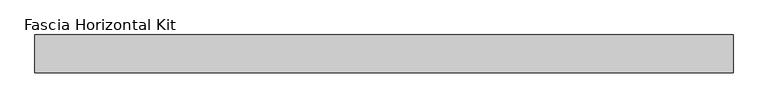
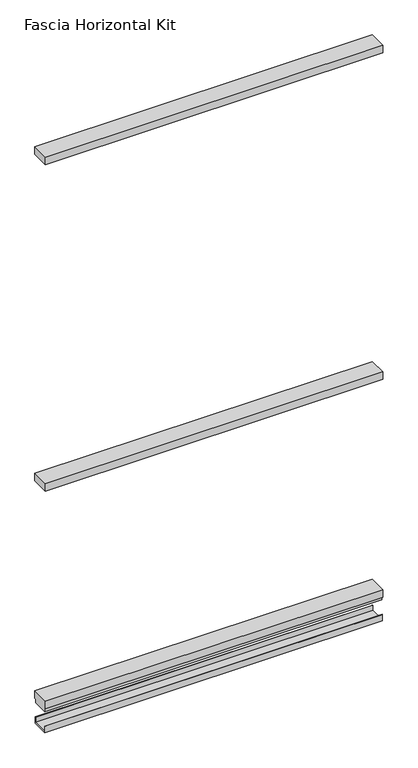
"""IFC4 building model written with IfcOpenShell, lengths in millimetres: proxy geometry, Fascia Horizontal Kit."""

from ifc_helpers import new_model, si_unit, frame, origin, place, context, project, spatial, polyline, outline, extrude, source, transform, mapped, element, save


def fascia_horizontal_kit_2836765a(model_context):
    return source(origin(), model_context, "Body", "SweptSolid", [
        extrude(outline(polyline([(-696.4938598, 34.0688663), (-696.4938598, 98.4324663), (495.8091376, 98.4324663), (495.8091376, 34.0688663), (-696.4938598, 34.0688663)])), frame((0.0, 0.0, 903.829), z_axis=(0.0, 0.0, 1.0), x_axis=(1.0, 0.0, 0.0)), (0.0, 0.0, 1.0), 28.0),
        extrude(outline(polyline([(-696.4938598, 34.0688663), (-696.4938598, 98.4324663), (495.8091376, 98.4324663), (495.8091376, 34.0688663), (-696.4938598, 34.0688663)])), frame((0.0, 0.0, 2124.295979), z_axis=(0.0, 0.0, 1.0), x_axis=(1.0, 0.0, 0.0)), (0.0, 0.0, 1.0), 28.0),
        extrude(outline(polyline([(94.0992263, 4.58724), (94.0992263, 23.2156), (95.2574663, 23.2156), (95.2574663, 0.0), (37.2438663, 0.0), (37.2438663, 23.2156), (38.4021063, 23.2156), (38.4021063, 4.58724), (94.0992263, 4.58724)])), frame((-696.4938598, 0.0, 0.0), z_axis=(1.0, 0.0, 0.0), x_axis=(0.0, 1.0, 0.0)), (0.0, 0.0, 1.0), 1192.3029973),
        extrude(outline(polyline([(98.4324663, 119.029), (98.4324663, 91.029), (93.5466663, 91.029), (93.5466663, 77.0336001), (38.9546663, 77.0336001), (38.9546663, 91.029), (34.0688663, 91.029), (34.0688663, 119.029), (98.4324663, 119.029)])), frame((-696.4938598, 0.0, 0.0), z_axis=(1.0, 0.0, 0.0), x_axis=(0.0, 1.0, 0.0)), (0.0, 0.0, 1.0), 1192.3029973),
    ])


if __name__ == "__main__":
    model = new_model("IFC4")
    model_context = context("Model", 3, world=origin())
    ifc_project = project(units=[si_unit("LENGTHUNIT", "METRE", prefix="MILLI")], contexts=[model_context])
    site = spatial("IfcSite", under=ifc_project)
    building = spatial("IfcBuilding", under=site)
    placement = place(None, origin())
    fascia_horizontal_kit_shape = fascia_horizontal_kit_2836765a(model_context)
    element("IfcBuildingElementProxy", 1, Name="Fascia Horizontal Kit", ObjectType="Fascia Horizontal Kit", at=placement, inside=building, context=model_context, shape_type="MappedRepresentation", body=[
        mapped(fascia_horizontal_kit_shape, transform((0.0, 0.0, 0.0), x_axis=(1.0, 0.0, 0.0), y_axis=(0.0, 1.0, 0.0), z_axis=(0.0, 0.0, 1.0))),
    ])
    save(model, "model.ifc")
